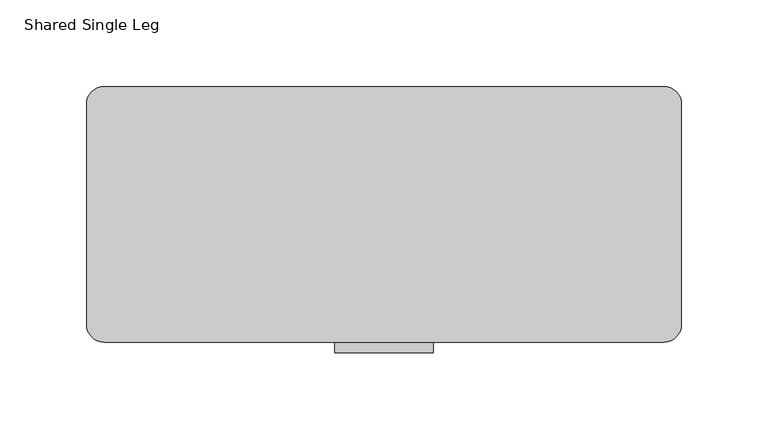
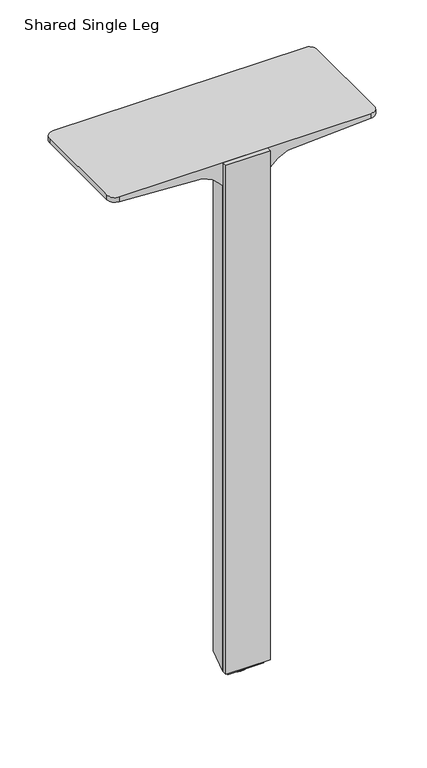
"""IFC4 building model written with IfcOpenShell, lengths in millimetres: furniture geometry, Shared Single Leg."""

import ifcopenshell
import ifcopenshell.guid

model = None  # the IFC model being written
_history = None  # IfcOwnerHistory: only IFC2X3 demands one
_inside = {}  # id of a spatial element -> (the spatial element, [elements in it])
_under = {}  # id of a project, library or spatial element -> (it, [spatial elements below it])
_declared = {}  # id of a project -> (the project, [libraries it declares])
_typed = {}  # id of a type object -> (the type object, [elements of that type])
_made_of = {}  # id of a material, layer set ... -> (it, [elements and type objects made of it])


def new_model(schema):
    """Start an empty IFC model of exactly this schema.

    Asked for "IFC4X3", IfcOpenShell would pick the latest addendum, in which some entities
    have other attributes; the version numbers below select the first issue.
    IFC2X3 requires an IfcOwnerHistory on every rooted entity: one is made here for all.
    """
    global model, _history
    if schema == "IFC4X3":
        model = ifcopenshell.file(schema_version=(4, 3, 0, 0))
    else:
        model = ifcopenshell.file(schema=schema)
    _inside.clear()
    _under.clear()
    _declared.clear()
    _typed.clear()
    _made_of.clear()
    _history = None
    if model.schema == "IFC2X3":
        org = make("IfcOrganization", Name="unknown")
        user = make(
            "IfcPersonAndOrganization",
            ThePerson=make("IfcPerson", FamilyName="unknown"),
            TheOrganization=org,
        )
        app = make(
            "IfcApplication",
            ApplicationDeveloper=org,
            Version="unknown",
            ApplicationFullName="unknown",
            ApplicationIdentifier="unknown",
        )
        _history = make(
            "IfcOwnerHistory",
            OwningUser=user,
            OwningApplication=app,
            ChangeAction="ADDED",
            CreationDate=0,
        )
    return model


def make(cls, **values):
    """One entity of the class cls with the attributes given. An attribute that is None is left unset."""
    return model.create_entity(
        cls, **{name: value for name, value in values.items() if value is not None}
    )


def rooted(cls, **values):
    """An entity with a GlobalId (a new one), such as an element, a storey or a relation."""
    return make(cls, GlobalId=ifcopenshell.guid.new(), OwnerHistory=_history, **values)


def si_unit(unit_type, name, prefix=None):
    """IfcSIUnit, for example si_unit("LENGTHUNIT", "METRE", prefix="MILLI")."""
    return make("IfcSIUnit", UnitType=unit_type, Prefix=prefix, Name=name)


def assignment(units):
    """IfcUnitAssignment: the units of a project."""
    return None if units is None else make("IfcUnitAssignment", Units=units)


def point(xyz):
    """IfcCartesianPoint."""
    return None if xyz is None else make("IfcCartesianPoint", Coordinates=xyz)


def direction(xyz):
    """IfcDirection."""
    return None if xyz is None else make("IfcDirection", DirectionRatios=xyz)


def frame(location, z_axis=None, x_axis=None):
    """IfcAxis2Placement3D, a coordinate frame: its origin and axes. An axis left out is left unset."""
    return make(
        "IfcAxis2Placement3D",
        Location=point(location),
        Axis=direction(z_axis),
        RefDirection=direction(x_axis),
    )


def origin():
    """The frame at (0, 0, 0) with its axes left unset."""
    return frame((0.0, 0.0, 0.0))


def place(relative_to, where):
    """IfcLocalPlacement: puts the frame where relative to a parent placement (None: the world)."""
    return make(
        "IfcLocalPlacement", PlacementRelTo=relative_to, RelativePlacement=where
    )


def context(
    kind, dimensions, precision=None, world=None, true_north=None, identifier=None
):
    """IfcGeometricRepresentationContext, for example the 3D "Model" context."""
    return make(
        "IfcGeometricRepresentationContext",
        ContextIdentifier=identifier,
        ContextType=kind,
        CoordinateSpaceDimension=dimensions,
        Precision=precision,
        WorldCoordinateSystem=world,
        TrueNorth=true_north,
    )


def project(units=None, contexts=None):
    """IfcProject with its units and contexts."""
    return rooted(
        "IfcProject",
        Name="project",
        RepresentationContexts=contexts,
        UnitsInContext=assignment(units),
    )


def spatial(cls, under=None, at=None, **own):
    """A site, building, storey or space (cls), placed at a placement, below another one or the project."""
    s = rooted(cls, ObjectPlacement=at, **own)
    if under is not None:
        _under.setdefault(under.id(), (under, []))[1].append(s)
    return s


def polyline(points):
    """IfcPolyline through the points."""
    return make("IfcPolyline", Points=[point(p) for p in points])


def circle_curve(where, radius):
    """IfcCircle in the frame where."""
    return make("IfcCircle", Position=where, Radius=radius)


def outline(outer, holes=None, kind="AREA"):
    """IfcArbitraryClosedProfileDef: a profile drawn as a closed curve; with holes, ...WithVoids."""
    if holes is None:
        return make("IfcArbitraryClosedProfileDef", ProfileType=kind, OuterCurve=outer)
    return make(
        "IfcArbitraryProfileDefWithVoids",
        ProfileType=kind,
        OuterCurve=outer,
        InnerCurves=holes,
    )


def extrude(swept, where, along, depth):
    """IfcExtrudedAreaSolid: the profile swept, set in the frame where, extruded along a direction by depth."""
    return make(
        "IfcExtrudedAreaSolid",
        SweptArea=swept,
        Position=where,
        ExtrudedDirection=direction(along),
        Depth=depth,
    )


def shape(context_of_items, identifier, shape_type, items):
    """IfcShapeRepresentation: the items that make up one representation, for example the "Body"."""
    return make(
        "IfcShapeRepresentation",
        ContextOfItems=context_of_items,
        RepresentationIdentifier=identifier,
        RepresentationType=shape_type,
        Items=items,
    )


def source(mapping_origin, context_of_items, identifier, shape_type, items):
    """IfcRepresentationMap: a shape defined once, which mapped items show again and again."""
    return make(
        "IfcRepresentationMap",
        MappingOrigin=mapping_origin,
        MappedRepresentation=shape(context_of_items, identifier, shape_type, items),
    )


def transform(
    local_origin,
    x_axis=None,
    y_axis=None,
    z_axis=None,
    scale=None,
    scale2=None,
    scale3=None,
    uniform=True,
):
    """IfcCartesianTransformationOperator3D, or its non-uniform kind. x_axis, y_axis, z_axis: its Axis1, 2, 3."""
    if uniform:
        return make(
            "IfcCartesianTransformationOperator3D",
            Axis1=direction(x_axis),
            Axis2=direction(y_axis),
            LocalOrigin=point(local_origin),
            Scale=scale,
            Axis3=direction(z_axis),
        )
    return make(
        "IfcCartesianTransformationOperator3DnonUniform",
        Axis1=direction(x_axis),
        Axis2=direction(y_axis),
        LocalOrigin=point(local_origin),
        Scale=scale,
        Axis3=direction(z_axis),
        Scale2=scale2,
        Scale3=scale3,
    )


def mapped(mapping_source, mapping_target):
    """IfcMappedItem: shows the shape of a source again, moved by a transform."""
    return make(
        "IfcMappedItem", MappingSource=mapping_source, MappingTarget=mapping_target
    )


def made_of(thing, what):
    """Note that an element or type object is made of a material, layer set ...; save() writes the relation."""
    if what is not None:
        _made_of.setdefault(what.id(), (what, []))[1].append(thing)
    return thing


def element(
    cls,
    number,
    at=None,
    inside=None,
    cuts=None,
    type_object=None,
    material=None,
    context=None,
    identifier="Body",
    shape_type=None,
    held_by="IfcProductDefinitionShape",
    body=None,
    shapes=None,
    **own,
):
    """One element of the class cls, such as IfcWall. Its Tag is "e" and its number.

    at: its placement. inside: the storey or other place that contains it. cuts: it is an
    opening in that element (IfcRelVoidsElement). A single representation is given by context,
    identifier, shape_type and body (its items); several are given by shapes. held_by: the class
    of the entity that holds the representations. save() writes the other relations.
    """
    e = rooted(cls, Tag="e%d" % number, ObjectPlacement=at, **own)
    if body is not None:
        shapes = [shape(context, identifier, shape_type, body)]
    if shapes is not None:
        e.Representation = make(held_by, Representations=shapes)
    if inside is not None:
        _inside.setdefault(inside.id(), (inside, []))[1].append(e)
    if cuts is not None:
        rooted(
            "IfcRelVoidsElement", RelatingBuildingElement=cuts, RelatedOpeningElement=e
        )
    if type_object is not None:
        _typed.setdefault(type_object.id(), (type_object, []))[1].append(e)
    return made_of(e, material)


def aggregate(whole, parts):
    """IfcRelAggregates: a whole, such as a stair, and the parts it consists of."""
    return rooted("IfcRelAggregates", RelatingObject=whole, RelatedObjects=parts)


def save(model, path):
    """Write the relations noted so far, then the file.

    IfcRelAggregates (storeys below a building ...), IfcRelContainedInSpatialStructure (elements
    in a storey), IfcRelDefinesByType, IfcRelAssociatesMaterial and IfcRelDeclares: one each for
    every whole, place, type object, material and project.
    """
    for whole, parts in _under.values():
        aggregate(whole, parts)
    for where, things in _inside.values():
        rooted(
            "IfcRelContainedInSpatialStructure",
            RelatedElements=things,
            RelatingStructure=where,
        )
    for kind, things in _typed.values():
        rooted("IfcRelDefinesByType", RelatedObjects=things, RelatingType=kind)
    for what, things in _made_of.values():
        rooted("IfcRelAssociatesMaterial", RelatedObjects=things, RelatingMaterial=what)
    for by, libraries in _declared.values():
        rooted("IfcRelDeclares", RelatingContext=by, RelatedDefinitions=libraries)
    model.write(path)


def plane_surface(at):
    """IfcPlane: the flat surface through the origin of the frame at, square to its z axis."""
    return make("IfcPlane", Position=at)


def cylinder_surface(at, radius):
    """IfcCylindricalSurface: all points at the distance radius from the z axis of the frame at."""
    return make("IfcCylindricalSurface", Position=at, Radius=radius)


def revolved_surface(curve, axis_point, axis_direction):
    """IfcSurfaceOfRevolution: the curve turned about the line through axis_point along axis_direction."""
    return make(
        "IfcSurfaceOfRevolution",
        SweptCurve=make("IfcArbitraryOpenProfileDef", ProfileType="CURVE", Curve=curve),
        AxisPosition=make("IfcAxis1Placement", Location=point(axis_point), Axis=direction(axis_direction)),
    )


def spline_surface(u_degree, v_degree, points, u_multiplicities, v_multiplicities, u_knots, v_knots, weights=None):
    """IfcBSplineSurfaceWithKnots; with weights, IfcRationalBSplineSurfaceWithKnots. points: one row for each step in u."""
    own = dict(
        UDegree=u_degree,
        VDegree=v_degree,
        ControlPointsList=[[point(p) for p in row] for row in points],
        SurfaceForm="UNSPECIFIED",
        UClosed=False,
        VClosed=False,
        SelfIntersect=False,
        UMultiplicities=u_multiplicities,
        VMultiplicities=v_multiplicities,
        UKnots=u_knots,
        VKnots=v_knots,
        KnotSpec="UNSPECIFIED",
    )
    if weights is None:
        return make("IfcBSplineSurfaceWithKnots", **own)
    return make("IfcRationalBSplineSurfaceWithKnots", WeightsData=weights, **own)


def advanced_brep(points, edges, surfaces, faces):
    """IfcAdvancedBrep: a solid bounded by faces that lie on surfaces and meet in shared edges.

    An edge is (start, end): straight between two places in points (the first is 0);
    or (start, end, curve); or (start, end, curve, False) where it runs against its curve.
    A face is (place in surfaces, loops), or (place, loops, False) where it looks against
    its surface's normal. A loop lists edges by number (the first is 1), with a minus sign
    where the edge is run from its end to its start. The first loop is the outer one.
    """
    corners = [point(p) for p in points]
    vertices = [make("IfcVertexPoint", VertexGeometry=c) for c in corners]
    made = []
    for start, end, *more in edges:
        made.append(
            make(
                "IfcEdgeCurve",
                EdgeStart=vertices[start],
                EdgeEnd=vertices[end],
                EdgeGeometry=more[0] if more else make("IfcPolyline", Points=[corners[start], corners[end]]),
                SameSense=more[1] if len(more) > 1 else True,
            )
        )
    hull = []
    for where, loops, *sense in faces:
        bounds = []
        for j, loop in enumerate(loops):
            ring = [make("IfcOrientedEdge", EdgeElement=made[abs(k) - 1], Orientation=k > 0) for k in loop]
            bounds.append(
                make(
                    "IfcFaceOuterBound" if j == 0 else "IfcFaceBound",
                    Bound=make("IfcEdgeLoop", EdgeList=ring),
                    Orientation=True,
                )
            )
        hull.append(make("IfcAdvancedFace", Bounds=bounds, FaceSurface=surfaces[where], SameSense=sense[0] if sense else True))
    return make("IfcAdvancedBrep", Outer=make("IfcClosedShell", CfsFaces=hull))


def shared_single_leg_ad806f22(model_context):
    return source(origin(), model_context, "Body", "SolidModel", [
        advanced_brep(
        [(-171.7801942, 22.8492736, 706.983736), (-161.6201942, 12.6892736, 706.983736), (161.6201942, 12.6892736, 706.983736), (171.7801942, 22.8492736, 706.983736), (171.7801942, 150.1032737, 706.983736), (161.6201942, 160.2632737, 706.983736), (-161.6201942, 160.2632737, 706.983736), (-171.7801942, 150.1032737, 706.983736), (-171.7801942, 22.8492736, 700.6336876), (-161.6201942, 12.6892736, 700.6336876), (-54.9366317, 12.6892736, 694.2837118), (-41.7816184, 12.6892736, 687.933736), (-34.7505909, 12.6892736, 681.5836876), (-28.6121538, 12.6892736, 675.2337118), (-28.6121538, 12.6892736, 16.0986256), (-23.2282992, 12.6892736, 16.0986256), (23.2282992, 12.6892736, 16.0986256), (28.6121538, 12.6892736, 16.0986256), (28.6121538, 12.6892736, 675.2337118), (34.7505909, 12.6892736, 681.5836876), (41.7816184, 12.6892736, 687.933736), (54.9366317, 12.6892736, 694.2837118), (161.6201942, 12.6892736, 700.6336876), (171.7801942, 22.8492736, 700.6336876), (171.7801942, 150.1032737, 700.6336876), (161.6201942, 160.2632737, 700.6336876), (-161.6201942, 160.2632737, 700.6336876), (-171.7801942, 150.1032737, 700.6336876), (38.9945493, 90.9314863, 694.2837118), (-38.9945493, 90.9314863, 694.2837118), (26.8132344, 68.2227435, 687.933736), (-26.8132344, 68.2227435, 687.933736), (21.2019717, 57.4979802, 681.5836876), (-21.2019717, 57.4979802, 681.5836876), (17.9169455, 52.6043336, 675.2337118), (-17.9169455, 52.6043336, 675.2337118), (-17.9169455, 52.6043336, 16.0986256), (17.9169455, 52.6043336, 16.0986256), (23.2282992, 20.5148316, 16.0986256), (15.4806821, 49.4293321, 16.0986256), (-15.4806821, 49.4293321, 16.0986256), (-23.2282992, 20.5148316, 16.0986256), (-15.4806821, 49.4293321, 10.6630256), (15.4806821, 49.4293321, 10.6630256), (23.2282992, 20.5148316, 10.6630256), (23.2282992, 11.1769341, 10.6630256), (-23.2282992, 11.1769341, 10.6630256), (-23.2282992, 20.5148316, 10.6630256), (-23.2282992, 11.1769341, 16.0986256), (23.2282992, 11.1769341, 16.0986256)],
        [
            (0, 1, circle_curve(frame((-161.6201942, 22.8492736, 706.983736), z_axis=(0.0, 0.0, 1.0), x_axis=(1.0, 0.0, 0.0)), 10.16)),
            (1, 2),
            (2, 3, circle_curve(frame((161.6201942, 22.8492736, 706.983736), z_axis=(0.0, 0.0, 1.0), x_axis=(1.0, 0.0, 0.0)), 10.16)),
            (3, 4),
            (4, 5, circle_curve(frame((161.6201942, 150.1032737, 706.983736), z_axis=(0.0, 0.0, 1.0), x_axis=(1.0, 0.0, 0.0)), 10.16)),
            (5, 6),
            (6, 7, circle_curve(frame((-161.6201942, 150.1032737, 706.983736), z_axis=(0.0, 0.0, 1.0), x_axis=(1.0, 0.0, 0.0)), 10.16)),
            (7, 0),
            (0, 8),
            (8, 9, circle_curve(frame((-161.6201942, 22.8492736, 700.6336876), z_axis=(0.0, 0.0, 1.0), x_axis=(1.0, 0.0, 0.0)), 10.16)),
            (9, 1),
            (9, 10),
            (10, 11),
            (11, 12),
            (12, 13),
            (13, 14),
            (14, 15),
            (15, 16),
            (16, 17),
            (17, 18),
            (18, 19),
            (19, 20),
            (20, 21),
            (21, 22),
            (22, 2),
            (22, 23, circle_curve(frame((161.6201942, 22.8492736, 700.6336876), z_axis=(0.0, 0.0, 1.0), x_axis=(1.0, 0.0, 0.0)), 10.16)),
            (23, 3),
            (23, 24),
            (24, 4),
            (24, 25, circle_curve(frame((161.6201942, 150.1032737, 700.6336876), z_axis=(0.0, 0.0, 1.0), x_axis=(1.0, 0.0, 0.0)), 10.16)),
            (25, 5),
            (25, 26),
            (26, 6),
            (26, 27, circle_curve(frame((-161.6201942, 150.1032737, 700.6336876), z_axis=(0.0, 0.0, 1.0), x_axis=(1.0, 0.0, 0.0)), 10.16)),
            (27, 7),
            (27, 8),
            (25, 28),
            (28, 29),
            (29, 26),
            (29, 27),
            (29, 10),
            (10, 8),
            (21, 23),
            (21, 28),
            (28, 24),
            (20, 30),
            (30, 28),
            (30, 31),
            (31, 29),
            (31, 11),
            (30, 32),
            (32, 33),
            (33, 31),
            (33, 12),
            (19, 32),
            (32, 34),
            (34, 35),
            (35, 33),
            (35, 13),
            (18, 34),
            (36, 37),
            (37, 17),
            (16, 38),
            (38, 39),
            (39, 40),
            (40, 41),
            (41, 15),
            (14, 36),
            (35, 36),
            (37, 34),
            (42, 43),
            (43, 44),
            (44, 45),
            (45, 46),
            (46, 47),
            (47, 42),
            (48, 49),
            (49, 16),
            (15, 48),
            (42, 40),
            (39, 43),
            (38, 44),
            (49, 45),
            (48, 46),
            (41, 47),
        ],
        [
            plane_surface(frame((-151.4601942, 22.8492736, 706.983736), z_axis=(0.0, 0.0, 1.0), x_axis=(0.0, 1.0, 0.0))),
            cylinder_surface(frame((-161.6201942, 22.8492736, 700.6336876), z_axis=(0.0, 0.0, 1.0), x_axis=(1.0, 0.0, 0.0)), 10.16),
            plane_surface(frame((-161.6201942, 12.6892736, 706.983736), z_axis=(0.0, -1.0, 0.0), x_axis=(0.0, 0.0, -1.0))),
            cylinder_surface(frame((161.6201942, 22.8492736, 700.6336876), z_axis=(0.0, 0.0, 1.0), x_axis=(1.0, 0.0, 0.0)), 10.16),
            plane_surface(frame((171.7801942, 22.8492736, 706.983736), z_axis=(1.0, 0.0, 0.0), x_axis=(0.0, 0.0, -1.0))),
            cylinder_surface(frame((161.6201942, 150.1032737, 700.6336876), z_axis=(0.0, 0.0, 1.0), x_axis=(1.0, 0.0, 0.0)), 10.16),
            plane_surface(frame((161.6201942, 160.2632737, 706.983736), z_axis=(0.0, 1.0, 0.0), x_axis=(0.0, 0.0, -1.0))),
            cylinder_surface(frame((-161.6201942, 150.1032737, 700.6336876), z_axis=(0.0, 0.0, 1.0), x_axis=(1.0, 0.0, 0.0)), 10.16),
            plane_surface(frame((-171.7801942, 150.1032737, 706.983736), z_axis=(-1.0, 0.0, 0.0), x_axis=(0.0, 0.0, -1.0))),
            plane_surface(frame((0.0, 160.2632737, 700.6336876), z_axis=(0.0, 0.09120649175946144, -0.9958320018260768), x_axis=(1.0, 0.0, 0.0))),
            spline_surface(2, 1, [[(-171.7801942, 150.1032737, 700.6336876), (-38.9945493, 90.9314863, 694.2837118)], [(-171.7801942, 160.2632737, 700.6336876), (-38.9945493, 90.9314863, 694.2837118)], [(-161.6201942, 160.2632737, 700.6336876), (-38.9945493, 90.9314863, 694.2837118)]], [3, 3], [2, 2], [0.0, 1.0], [0.0, 1.0], weights=[[1.0, 1.0], [0.7071067811865476, 0.7071067811865476], [1.0, 1.0]]),
            spline_surface(1, 1, [[(-171.7801942, 22.8492736, 700.6336876), (-54.9366317, 12.6892736, 694.2837118)], [(-171.7801942, 150.1032737, 700.6336876), (-38.9945493, 90.9314863, 694.2837118)]], [2, 2], [2, 2], [0.0, 1.0], [0.0, 1.0]),
            spline_surface(2, 1, [[(-161.6201942, 12.6892736, 700.6336876), (-54.9366317, 12.6892736, 694.2837118)], [(-171.78019419999998, 12.689273600000025, 700.6336876), (-54.9366317, 12.6892736, 694.2837118)], [(-171.7801942, 22.8492736, 700.6336876), (-54.9366317, 12.6892736, 694.2837118)]], [3, 3], [2, 2], [0.0, 1.0], [0.0, 1.0], weights=[[1.0, 1.0], [0.7071067811865483, 0.7071067811865483], [1.0, 1.0]]),
            spline_surface(2, 1, [[(171.7801942, 22.8492736, 700.6336876), (54.9366317, 12.6892736, 694.2837118)], [(171.78019420000004, 12.689273599999975, 700.6336876), (54.9366317, 12.6892736, 694.2837118)], [(161.6201942, 12.6892736, 700.6336876), (54.9366317, 12.6892736, 694.2837118)]], [3, 3], [2, 2], [0.0, 1.0], [0.0, 1.0], weights=[[1.0, 1.0], [0.7071067811865467, 0.7071067811865467], [1.0, 1.0]]),
            spline_surface(1, 1, [[(171.7801942, 150.1032737, 700.6336876), (38.9945493, 90.9314863, 694.2837118)], [(171.7801942, 22.8492736, 700.6336876), (54.9366317, 12.6892736, 694.2837118)]], [2, 2], [2, 2], [0.0, 1.0], [0.0, 1.0]),
            spline_surface(2, 1, [[(161.6201942, 160.2632737, 700.6336876), (38.9945493, 90.9314863, 694.2837118)], [(171.7801942, 160.2632737, 700.6336876), (38.9945493, 90.9314863, 694.2837118)], [(171.7801942, 150.1032737, 700.6336876), (38.9945493, 90.9314863, 694.2837118)]], [3, 3], [2, 2], [0.0, 1.0], [0.0, 1.0], weights=[[1.0, 1.0], [0.7071067811865476, 0.7071067811865476], [1.0, 1.0]]),
            spline_surface(1, 1, [[(38.9945493, 90.9314863, 694.2837118), (26.8132344, 68.2227435, 687.933736)], [(54.9366317, 12.6892736, 694.2837118), (41.7816184, 12.6892736, 687.933736)]], [2, 2], [2, 2], [0.0, 1.0], [0.0, 1.0]),
            plane_surface(frame((0.0, 90.9314863, 694.2837118), z_axis=(0.0, 0.26929673095774764, -0.9630572520340992), x_axis=(1.0, 0.0, 0.0))),
            spline_surface(1, 1, [[(-54.9366317, 12.6892736, 694.2837118), (-41.7816184, 12.6892736, 687.933736)], [(-38.9945493, 90.9314863, 694.2837118), (-26.8132344, 68.2227435, 687.933736)]], [2, 2], [2, 2], [0.0, 1.0], [0.0, 1.0]),
            plane_surface(frame((0.0, 68.2227435, 687.933736), z_axis=(0.0, 0.5094836707972836, -0.8604803246971573), x_axis=(1.0, 0.0, 0.0))),
            spline_surface(1, 1, [[(-41.7816184, 12.6892736, 687.933736), (-34.7505909, 12.6892736, 681.5836876)], [(-26.8132344, 68.2227435, 687.933736), (-21.2019717, 57.4979802, 681.5836876)]], [2, 2], [2, 2], [0.0, 1.0], [0.0, 1.0]),
            spline_surface(1, 1, [[(26.8132344, 68.2227435, 687.933736), (21.2019717, 57.4979802, 681.5836876)], [(41.7816184, 12.6892736, 687.933736), (34.7505909, 12.6892736, 681.5836876)]], [2, 2], [2, 2], [0.0, 1.0], [0.0, 1.0]),
            plane_surface(frame((0.0, 57.4979802, 681.5836876), z_axis=(0.0, 0.7920781290393444, -0.6104197224021614), x_axis=(1.0, 0.0, 0.0))),
            spline_surface(1, 1, [[(-34.7505909, 12.6892736, 681.5836876), (-28.6121538, 12.6892736, 675.2337118)], [(-21.2019717, 57.4979802, 681.5836876), (-17.9169455, 52.6043336, 675.2337118)]], [2, 2], [2, 2], [0.0, 1.0], [0.0, 1.0]),
            spline_surface(1, 1, [[(21.2019717, 57.4979802, 681.5836876), (17.9169455, 52.6043336, 675.2337118)], [(34.7505909, 12.6892736, 681.5836876), (28.6121538, 12.6892736, 675.2337118)]], [2, 2], [2, 2], [0.0, 1.0], [0.0, 1.0]),
            plane_surface(frame((-28.575, 12.8279336, 16.0986256), z_axis=(0.0, 0.0, -1.0), x_axis=(0.258819050123195, 0.9659258249437827, 0.0))),
            plane_surface(frame((-17.9169455, 52.6043336, 675.2337118), z_axis=(-0.9659258249437827, 0.258819050123195, 0.0), x_axis=(0.0, 0.0, -1.0))),
            plane_surface(frame((28.6121538, 12.6892736, 675.2337118), z_axis=(0.9659258249437827, 0.25881905012319495, 0.0), x_axis=(0.0, 0.0, -1.0))),
            plane_surface(frame((17.9169455, 52.6043336, 675.2337118), z_axis=(0.0, 1.0, 0.0), x_axis=(0.0, 0.0, -1.0))),
            plane_surface(frame((-15.4806821, 49.4293321, 10.6630256), z_axis=(0.0, 0.0, -1.0), x_axis=(1.0, 0.0, 0.0))),
            plane_surface(frame((-15.4806821, 49.4293321, 16.0986256), z_axis=(0.0, 0.0, 1.0), x_axis=(-1.0, 0.0, 0.0))),
            plane_surface(frame((-15.4806821, 49.4293321, 10.6630256), z_axis=(0.0, 1.0, 0.0), x_axis=(0.0, 0.0, 1.0))),
            plane_surface(frame((15.4806821, 49.4293321, 10.6630256), z_axis=(0.9659258258566831, 0.2588190467162044, 0.0), x_axis=(0.0, 0.0, 1.0))),
            plane_surface(frame((23.2282992, 20.5148316, 10.6630256), z_axis=(1.0, 0.0, 0.0), x_axis=(0.0, 0.0, 1.0))),
            plane_surface(frame((23.2282992, 11.1769341, 10.6630256), z_axis=(0.0, -1.0, 0.0), x_axis=(0.0, 0.0, 1.0))),
            plane_surface(frame((-23.2282992, 11.1769341, 10.6630256), z_axis=(-1.0, 0.0, 0.0), x_axis=(0.0, 0.0, 1.0))),
            plane_surface(frame((-23.2282992, 20.5148316, 10.6630256), z_axis=(-0.9659258258566831, 0.25881904671620454, 0.0), x_axis=(0.0, 0.0, 1.0))),
        ],
        [
            (0, [[1, 2, 3, 4, 5, 6, 7, 8]]),
            (1, [[-1, 9, 10, 11]]),
            (2, [[-2, -11, 12, 13, 14, 15, 16, 17, 18, 19, 20, 21, 22, 23, 24, 25]]),
            (3, [[-3, -25, 26, 27]]),
            (4, [[-4, -27, 28, 29]]),
            (5, [[-5, -29, 30, 31]]),
            (6, [[-6, -31, 32, 33]]),
            (7, [[-7, -33, 34, 35]]),
            (8, [[-8, -35, 36, -9]]),
            (9, [[37, 38, 39, -32]]),
            (10, [[-39, 40, -34]]),
            (11, [[-40, 41, 42, -36]]),
            (12, [[-42, -12, -10]]),
            (13, [[-24, 43, -26]]),
            (14, [[-43, 44, 45, -28]]),
            (15, [[-37, -30, -45]]),
            (16, [[-23, 46, 47, -44]]),
            (17, [[-47, 48, 49, -38]]),
            (18, [[-49, 50, -13, -41]]),
            (19, [[51, 52, 53, -48]]),
            (20, [[-53, 54, -14, -50]]),
            (21, [[-51, -46, -22, 55]]),
            (22, [[56, 57, 58, -52]]),
            (23, [[-58, 59, -15, -54]]),
            (24, [[-56, -55, -21, 60]]),
            (25, [[61, 62, -19, 63, 64, 65, 66, 67, -17, 68]]),
            (26, [[-68, -16, -59, 69]]),
            (27, [[-62, 70, -60, -20]]),
            (28, [[-61, -69, -57, -70]]),
            (29, [[71, 72, 73, 74, 75, 76]]),
            (30, [[77, 78, -18, 79]]),
            (31, [[-71, 80, -65, 81]]),
            (32, [[-72, -81, -64, 82]]),
            (33, [[-73, -82, -63, -78, 83]]),
            (34, [[-74, -83, -77, 84]]),
            (35, [[-75, -84, -79, -67, 85]]),
            (36, [[-76, -85, -66, -80]]),
        ],
    ),
        advanced_brep(
        [(-6.2214646, 34.1312492, 0.0), (6.2214646, 34.1312492, 0.0), (0.0, 34.1312492, 0.0), (-14.2875, 34.1312492, 2.5400001), (14.2875, 34.1312492, 2.5400001), (-14.2875, 34.1312492, 7.6200001), (14.2875, 34.1312492, 7.6200001), (-3.1750001, 34.1312492, 7.6200001), (3.1750001, 34.1312492, 7.6200001), (-3.1750001, 34.1312492, 10.6630256), (3.1750001, 34.1312492, 10.6630256), (0.0, 34.1312492, 10.6630256)],
        [
            (0, 1, circle_curve(frame((0.0, 34.1312492, 0.0), z_axis=(0.0, 0.0, -1.0), x_axis=(1.0, 0.0, 0.0)), 6.2214646)),
            (1, 2),
            (2, 0),
            (1, 0, circle_curve(frame((0.0, 34.1312492, 0.0), z_axis=(0.0, 0.0, -1.0), x_axis=(1.0, 0.0, 0.0)), 6.2214646)),
            (3, 4, circle_curve(frame((0.0, 34.1312492, 2.5400001), z_axis=(0.0, 0.0, -1.0), x_axis=(1.0, 0.0, 0.0)), 14.2875)),
            (4, 1),
            (0, 3),
            (4, 3, circle_curve(frame((0.0, 34.1312492, 2.5400001), z_axis=(0.0, 0.0, -1.0), x_axis=(1.0, 0.0, 0.0)), 14.2875)),
            (5, 6, circle_curve(frame((0.0, 34.1312492, 7.6200001), z_axis=(0.0, 0.0, -1.0), x_axis=(1.0, 0.0, 0.0)), 14.2875)),
            (6, 4),
            (3, 5),
            (6, 5, circle_curve(frame((0.0, 34.1312492, 7.6200001), z_axis=(0.0, 0.0, -1.0), x_axis=(1.0, 0.0, 0.0)), 14.2875)),
            (7, 8, circle_curve(frame((0.0, 34.1312492, 7.6200001), z_axis=(0.0, 0.0, -1.0), x_axis=(1.0, 0.0, 0.0)), 3.1750001)),
            (8, 6),
            (5, 7),
            (8, 7, circle_curve(frame((0.0, 34.1312492, 7.6200001), z_axis=(0.0, 0.0, -1.0), x_axis=(1.0, 0.0, 0.0)), 3.1750001)),
            (9, 10, circle_curve(frame((0.0, 34.1312492, 10.6630256), z_axis=(0.0, 0.0, -1.0), x_axis=(1.0, 0.0, 0.0)), 3.1750001)),
            (10, 8),
            (7, 9),
            (10, 9, circle_curve(frame((0.0, 34.1312492, 10.6630256), z_axis=(0.0, 0.0, -1.0), x_axis=(1.0, 0.0, 0.0)), 3.1750001)),
            (11, 10),
            (9, 11),
        ],
        [
            plane_surface(frame((0.0, 34.1312492, 0.0), z_axis=(0.0, 0.0, -1.0), x_axis=(1.0, 0.0, 0.0))),
            revolved_surface(polyline([(6.2214646, 34.1312492, 0.0), (14.2875, 34.1312492, 2.5400001)]), (0.0, 34.1312492, 0.0), (0.0, 0.0, 1.0)),
            cylinder_surface(frame((0.0, 34.1312492, 0.0), z_axis=(0.0, 0.0, 1.0), x_axis=(1.0, 0.0, 0.0)), 14.2875),
            plane_surface(frame((0.0, 34.1312492, 7.6200001), z_axis=(0.0, 0.0, 1.0), x_axis=(1.0, 0.0, 0.0))),
            cylinder_surface(frame((0.0, 34.1312492, 0.0), z_axis=(0.0, 0.0, 1.0), x_axis=(1.0, 0.0, 0.0)), 3.1750001),
            plane_surface(frame((0.0, 34.1312492, 10.6630256), z_axis=(0.0, 0.0, 1.0), x_axis=(1.0, 0.0, 0.0))),
        ],
        [
            (0, [[1, 2, 3]]),
            (0, [[4, -3, -2]]),
            (1, [[5, 6, -1, 7]]),
            (1, [[8, -7, -4, -6]]),
            (2, [[9, 10, -5, 11]]),
            (2, [[12, -11, -8, -10]]),
            (3, [[13, 14, -9, 15]]),
            (3, [[16, -15, -12, -14]]),
            (4, [[17, 18, -13, 19]]),
            (4, [[20, -19, -16, -18]]),
            (5, [[21, -17, 22]]),
            (5, [[-22, -20, -21]]),
        ],
    ),
        extrude(outline(polyline([(-28.575, 6.477934), (-28.575, 12.6892736), (28.575, 12.6892736), (28.575, 6.477934), (-28.575, 6.477934)])), frame((0.0, 0.0, 16.0986256), z_axis=(0.0, 0.0, 1.0), x_axis=(1.0, 0.0, 0.0)), (0.0, 0.0, 1.0), 690.8851104),
    ])


if __name__ == "__main__":
    model = new_model("IFC4")
    model_context = context("Model", 3, world=origin())
    ifc_project = project(units=[si_unit("LENGTHUNIT", "METRE", prefix="MILLI")], contexts=[model_context])
    site = spatial("IfcSite", under=ifc_project)
    building = spatial("IfcBuilding", under=site)
    placement = place(None, origin())
    shared_single_leg_shape = shared_single_leg_ad806f22(model_context)
    element("IfcFurniture", 1, ObjectType="Shared Single Leg", at=placement, inside=building, context=model_context, shape_type="MappedRepresentation", body=[
        mapped(shared_single_leg_shape, transform((0.0, 0.0, 0.0), x_axis=(1.0, 0.0, 0.0), y_axis=(0.0, 1.0, 0.0), z_axis=(0.0, 0.0, 1.0))),
    ])
    save(model, "model.ifc")
